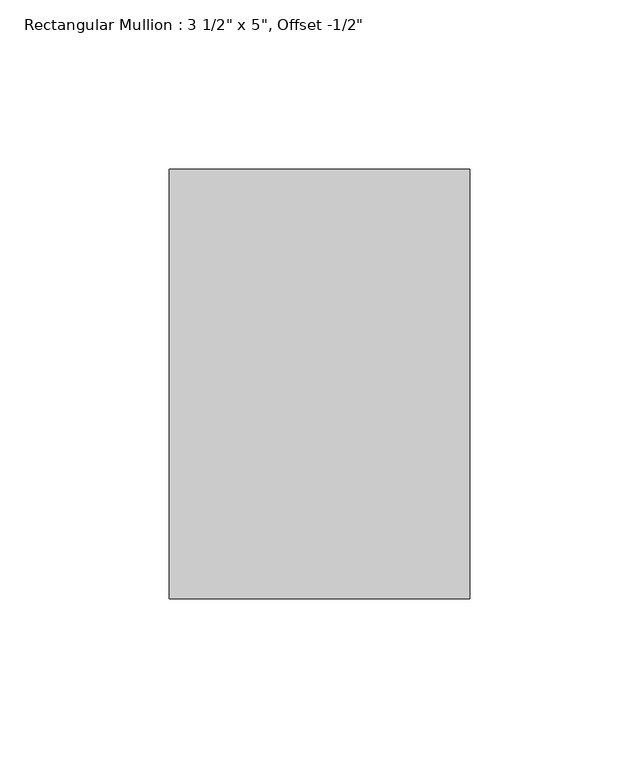
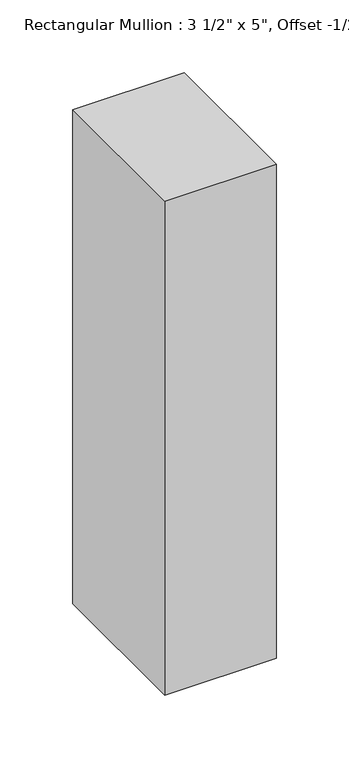
"""IFC4 building model written with IfcOpenShell, lengths in millimetres: member geometry."""

import ifcopenshell
import ifcopenshell.guid

model = None  # the IFC model being written
_history = None  # IfcOwnerHistory: only IFC2X3 demands one
_inside = {}  # id of a spatial element -> (the spatial element, [elements in it])
_under = {}  # id of a project, library or spatial element -> (it, [spatial elements below it])
_declared = {}  # id of a project -> (the project, [libraries it declares])
_typed = {}  # id of a type object -> (the type object, [elements of that type])
_made_of = {}  # id of a material, layer set ... -> (it, [elements and type objects made of it])


def new_model(schema):
    """Start an empty IFC model of exactly this schema.

    Asked for "IFC4X3", IfcOpenShell would pick the latest addendum, in which some entities
    have other attributes; the version numbers below select the first issue.
    IFC2X3 requires an IfcOwnerHistory on every rooted entity: one is made here for all.
    """
    global model, _history
    if schema == "IFC4X3":
        model = ifcopenshell.file(schema_version=(4, 3, 0, 0))
    else:
        model = ifcopenshell.file(schema=schema)
    _inside.clear()
    _under.clear()
    _declared.clear()
    _typed.clear()
    _made_of.clear()
    _history = None
    if model.schema == "IFC2X3":
        org = make("IfcOrganization", Name="unknown")
        user = make(
            "IfcPersonAndOrganization",
            ThePerson=make("IfcPerson", FamilyName="unknown"),
            TheOrganization=org,
        )
        app = make(
            "IfcApplication",
            ApplicationDeveloper=org,
            Version="unknown",
            ApplicationFullName="unknown",
            ApplicationIdentifier="unknown",
        )
        _history = make(
            "IfcOwnerHistory",
            OwningUser=user,
            OwningApplication=app,
            ChangeAction="ADDED",
            CreationDate=0,
        )
    return model


def make(cls, **values):
    """One entity of the class cls with the attributes given. An attribute that is None is left unset."""
    return model.create_entity(
        cls, **{name: value for name, value in values.items() if value is not None}
    )


def rooted(cls, **values):
    """An entity with a GlobalId (a new one), such as an element, a storey or a relation."""
    return make(cls, GlobalId=ifcopenshell.guid.new(), OwnerHistory=_history, **values)


def si_unit(unit_type, name, prefix=None):
    """IfcSIUnit, for example si_unit("LENGTHUNIT", "METRE", prefix="MILLI")."""
    return make("IfcSIUnit", UnitType=unit_type, Prefix=prefix, Name=name)


def assignment(units):
    """IfcUnitAssignment: the units of a project."""
    return None if units is None else make("IfcUnitAssignment", Units=units)


def point(xyz):
    """IfcCartesianPoint."""
    return None if xyz is None else make("IfcCartesianPoint", Coordinates=xyz)


def direction(xyz):
    """IfcDirection."""
    return None if xyz is None else make("IfcDirection", DirectionRatios=xyz)


def frame(location, z_axis=None, x_axis=None):
    """IfcAxis2Placement3D, a coordinate frame: its origin and axes. An axis left out is left unset."""
    return make(
        "IfcAxis2Placement3D",
        Location=point(location),
        Axis=direction(z_axis),
        RefDirection=direction(x_axis),
    )


def origin():
    """The frame at (0, 0, 0) with its axes left unset."""
    return frame((0.0, 0.0, 0.0))


def place(relative_to, where):
    """IfcLocalPlacement: puts the frame where relative to a parent placement (None: the world)."""
    return make(
        "IfcLocalPlacement", PlacementRelTo=relative_to, RelativePlacement=where
    )


def context(
    kind, dimensions, precision=None, world=None, true_north=None, identifier=None
):
    """IfcGeometricRepresentationContext, for example the 3D "Model" context."""
    return make(
        "IfcGeometricRepresentationContext",
        ContextIdentifier=identifier,
        ContextType=kind,
        CoordinateSpaceDimension=dimensions,
        Precision=precision,
        WorldCoordinateSystem=world,
        TrueNorth=true_north,
    )


def project(units=None, contexts=None):
    """IfcProject with its units and contexts."""
    return rooted(
        "IfcProject",
        Name="project",
        RepresentationContexts=contexts,
        UnitsInContext=assignment(units),
    )


def spatial(cls, under=None, at=None, **own):
    """A site, building, storey or space (cls), placed at a placement, below another one or the project."""
    s = rooted(cls, ObjectPlacement=at, **own)
    if under is not None:
        _under.setdefault(under.id(), (under, []))[1].append(s)
    return s


def polyline(points):
    """IfcPolyline through the points."""
    return make("IfcPolyline", Points=[point(p) for p in points])


def outline(outer, holes=None, kind="AREA"):
    """IfcArbitraryClosedProfileDef: a profile drawn as a closed curve; with holes, ...WithVoids."""
    if holes is None:
        return make("IfcArbitraryClosedProfileDef", ProfileType=kind, OuterCurve=outer)
    return make(
        "IfcArbitraryProfileDefWithVoids",
        ProfileType=kind,
        OuterCurve=outer,
        InnerCurves=holes,
    )


def extrude(swept, where, along, depth):
    """IfcExtrudedAreaSolid: the profile swept, set in the frame where, extruded along a direction by depth."""
    return make(
        "IfcExtrudedAreaSolid",
        SweptArea=swept,
        Position=where,
        ExtrudedDirection=direction(along),
        Depth=depth,
    )


def shape(context_of_items, identifier, shape_type, items):
    """IfcShapeRepresentation: the items that make up one representation, for example the "Body"."""
    return make(
        "IfcShapeRepresentation",
        ContextOfItems=context_of_items,
        RepresentationIdentifier=identifier,
        RepresentationType=shape_type,
        Items=items,
    )


def source(mapping_origin, context_of_items, identifier, shape_type, items):
    """IfcRepresentationMap: a shape defined once, which mapped items show again and again."""
    return make(
        "IfcRepresentationMap",
        MappingOrigin=mapping_origin,
        MappedRepresentation=shape(context_of_items, identifier, shape_type, items),
    )


def transform(
    local_origin,
    x_axis=None,
    y_axis=None,
    z_axis=None,
    scale=None,
    scale2=None,
    scale3=None,
    uniform=True,
):
    """IfcCartesianTransformationOperator3D, or its non-uniform kind. x_axis, y_axis, z_axis: its Axis1, 2, 3."""
    if uniform:
        return make(
            "IfcCartesianTransformationOperator3D",
            Axis1=direction(x_axis),
            Axis2=direction(y_axis),
            LocalOrigin=point(local_origin),
            Scale=scale,
            Axis3=direction(z_axis),
        )
    return make(
        "IfcCartesianTransformationOperator3DnonUniform",
        Axis1=direction(x_axis),
        Axis2=direction(y_axis),
        LocalOrigin=point(local_origin),
        Scale=scale,
        Axis3=direction(z_axis),
        Scale2=scale2,
        Scale3=scale3,
    )


def mapped(mapping_source, mapping_target):
    """IfcMappedItem: shows the shape of a source again, moved by a transform."""
    return make(
        "IfcMappedItem", MappingSource=mapping_source, MappingTarget=mapping_target
    )


def made_of(thing, what):
    """Note that an element or type object is made of a material, layer set ...; save() writes the relation."""
    if what is not None:
        _made_of.setdefault(what.id(), (what, []))[1].append(thing)
    return thing


def element(
    cls,
    number,
    at=None,
    inside=None,
    cuts=None,
    type_object=None,
    material=None,
    context=None,
    identifier="Body",
    shape_type=None,
    held_by="IfcProductDefinitionShape",
    body=None,
    shapes=None,
    **own,
):
    """One element of the class cls, such as IfcWall. Its Tag is "e" and its number.

    at: its placement. inside: the storey or other place that contains it. cuts: it is an
    opening in that element (IfcRelVoidsElement). A single representation is given by context,
    identifier, shape_type and body (its items); several are given by shapes. held_by: the class
    of the entity that holds the representations. save() writes the other relations.
    """
    e = rooted(cls, Tag="e%d" % number, ObjectPlacement=at, **own)
    if body is not None:
        shapes = [shape(context, identifier, shape_type, body)]
    if shapes is not None:
        e.Representation = make(held_by, Representations=shapes)
    if inside is not None:
        _inside.setdefault(inside.id(), (inside, []))[1].append(e)
    if cuts is not None:
        rooted(
            "IfcRelVoidsElement", RelatingBuildingElement=cuts, RelatedOpeningElement=e
        )
    if type_object is not None:
        _typed.setdefault(type_object.id(), (type_object, []))[1].append(e)
    return made_of(e, material)


def aggregate(whole, parts):
    """IfcRelAggregates: a whole, such as a stair, and the parts it consists of."""
    return rooted("IfcRelAggregates", RelatingObject=whole, RelatedObjects=parts)


def save(model, path):
    """Write the relations noted so far, then the file.

    IfcRelAggregates (storeys below a building ...), IfcRelContainedInSpatialStructure (elements
    in a storey), IfcRelDefinesByType, IfcRelAssociatesMaterial and IfcRelDeclares: one each for
    every whole, place, type object, material and project.
    """
    for whole, parts in _under.values():
        aggregate(whole, parts)
    for where, things in _inside.values():
        rooted(
            "IfcRelContainedInSpatialStructure",
            RelatedElements=things,
            RelatingStructure=where,
        )
    for kind, things in _typed.values():
        rooted("IfcRelDefinesByType", RelatedObjects=things, RelatingType=kind)
    for what, things in _made_of.values():
        rooted("IfcRelAssociatesMaterial", RelatedObjects=things, RelatingMaterial=what)
    for by, libraries in _declared.values():
        rooted("IfcRelDeclares", RelatingContext=by, RelatedDefinitions=libraries)
    model.write(path)


def member_1962a8a2(model_context):
    return source(origin(), model_context, "Body", "SweptSolid", [
        extrude(outline(polyline([(0.0, 76.2), (0.0, -50.8), (-88.9, -50.8), (-88.9, 76.2), (0.0, 76.2)])), frame((0.0, 0.0, -415.925), z_axis=(0.0, 0.0, 1.0), x_axis=(1.0, 0.0, 0.0)), (0.0, 0.0, 1.0), 415.925),
    ])


if __name__ == "__main__":
    model = new_model("IFC4")
    model_context = context("Model", 3, world=origin())
    ifc_project = project(units=[si_unit("LENGTHUNIT", "METRE", prefix="MILLI")], contexts=[model_context])
    site = spatial("IfcSite", under=ifc_project)
    building = spatial("IfcBuilding", under=site)
    placement = place(None, origin())
    member_shape = member_1962a8a2(model_context)
    element("IfcMember", 1, ObjectType="Rectangular Mullion : 3 1/2\" x 5\", Offset -1/2\"", at=placement, inside=building, context=model_context, shape_type="MappedRepresentation", body=[
        mapped(member_shape, transform((0.0, 0.0, 0.0), x_axis=(1.0, 0.0, 0.0), y_axis=(0.0, 1.0, 0.0), z_axis=(0.0, 0.0, 1.0))),
    ])
    save(model, "model.ifc")
